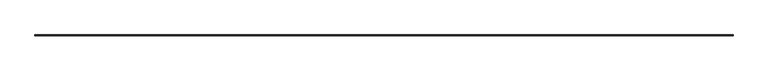
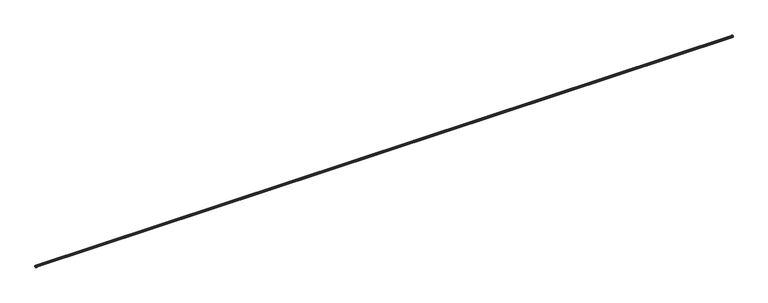
"""IFC4 building model written with IfcOpenShell, lengths in millimetres: railing geometry."""

from ifc_helpers import new_model, si_unit, frame, origin, place, context, project, spatial, polyline, circle_curve, ellipse_curve, source, transform, mapped, element, save
from ifc_brep_helpers import plane_surface, cylinder_surface, revolved_surface, advanced_brep


def railing_9a00f10a(model_context):
    return source(origin(), model_context, "Body", "AdvancedBrep", [
        advanced_brep(
        [(25095.3830497, 64223.0932801, 673.2549877), (25095.3695074, 64223.0797378, 698.3387272), (6765.5632364, 64223.0797378, 698.3387272), (6765.5496942, 64223.0932801, 673.2549877), (25096.0858991, 64223.7961295, 698.6805195), (25096.09981, 64223.8100404, 672.9139691), (6764.8329338, 64223.8100404, 672.9139691), (6764.8468447, 64223.7961295, 698.6805195), (25095.3695074, 64201.3828523, 698.3387272), (25095.3830497, 64201.3828523, 673.2549877), (25096.09981, 64201.3828523, 672.9139691), (25096.0858991, 64201.3828523, 698.6805195), (6765.5632364, 64201.3828523, 698.3387272), (6764.8468447, 64201.3828523, 698.6805195), (6764.8329338, 64201.3828523, 672.9139691), (6765.5496942, 64201.3828523, 673.2549877)],
        [
            (0, 1, ellipse_curve(frame((25069.0521413, 64196.7623717, 685.7826456), z_axis=(0.7071067811865461, -0.7071067811865488, 0.0), x_axis=(-0.7071067811865489, -0.707106781186546, 0.0)), 41.2373361, 29.1592)),
            (1, 2),
            (2, 3, ellipse_curve(frame((6791.8806025, 64196.7623717, 685.7826456), z_axis=(-0.7071067811865488, -0.7071067811865461, 0.0), x_axis=(-0.7071067811865462, 0.7071067811865487, 0.0)), 41.2373361, 29.1592)),
            (3, 0),
            (4, 5, ellipse_curve(frame((25069.0521413, 64196.7623717, 685.7826456), z_axis=(-0.7071067811865461, 0.7071067811865488, 0.0), x_axis=(0.7071067811865489, 0.707106781186546, 0.0)), 42.3598681, 29.95295)),
            (5, 6),
            (6, 7, ellipse_curve(frame((6791.8806025, 64196.7623717, 685.7826456), z_axis=(0.7071067811865488, 0.7071067811865461, 0.0), x_axis=(0.7071067811865462, -0.7071067811865487, 0.0)), 42.3598681, 29.95295)),
            (7, 4),
            (1, 4),
            (7, 2),
            (5, 0),
            (3, 6),
            (8, 9, circle_curve(frame((25069.0521413, 64201.3828523, 685.7826456), z_axis=(0.0, 1.0, 0.0), x_axis=(0.9030051689295431, 0.0, -0.4296296834327528)), 29.1592)),
            (9, 10),
            (10, 11, circle_curve(frame((25069.0521413, 64201.3828523, 685.7826456), z_axis=(0.0, -1.0, 0.0), x_axis=(0.9030051689295431, 0.0, -0.4296296834327528)), 29.95295)),
            (11, 8),
            (12, 13),
            (13, 14, circle_curve(frame((6791.8806025, 64201.3828523, 685.7826456), z_axis=(0.0, -1.0, 0.0), x_axis=(-0.9030051689295431, 0.0, -0.4296296834327528)), 29.95295)),
            (14, 15),
            (15, 12, circle_curve(frame((6791.8806025, 64201.3828523, 685.7826456), z_axis=(0.0, 1.0, 0.0), x_axis=(-0.9030051689295431, 0.0, -0.4296296834327528)), 29.1592)),
            (9, 0),
            (5, 10),
            (11, 4),
            (1, 8),
            (3, 15),
            (14, 6),
            (7, 13),
            (12, 2),
        ],
        [
            revolved_surface(polyline([(6762.721402505624, 64223.09328002185, 673.2549877348476), (25098.211341294376, 64223.09328002185, 673.2549877348476)]), (25074.4663719, 64196.7623717, 685.7826456), (-1.0, 0.0, 0.0)),
            cylinder_surface(frame((25074.4663719, 64196.7623717, 685.7826456), z_axis=(1.0, 0.0, 0.0), x_axis=(0.0, 0.9030051689295431, -0.4296296834327528)), 29.95295),
            plane_surface(frame((25096.0858991, 64223.7961295, 698.6805195), z_axis=(0.0, -0.4306044638727956, 0.9025407446164535), x_axis=(-1.0, 0.0, 0.0))),
            plane_surface(frame((25095.3830497, 64223.0932801, 673.2549877), z_axis=(0.0, -0.42962968343275565, -0.9030051689295417), x_axis=(-1.0, 0.0, 0.0))),
            plane_surface(frame((25074.4663719, 64201.3828523, 711.2), z_axis=(0.0, -1.0, 0.0), x_axis=(0.0, 0.0, 1.0))),
            plane_surface(frame((6786.4663719, 64201.3828523, 711.2), z_axis=(0.0, -1.0, 0.0), x_axis=(0.0, 0.0, -1.0))),
            plane_surface(frame((25095.3830497, 64201.3828523, 673.2549877), z_axis=(-0.42962968343275565, 0.0, -0.9030051689295417), x_axis=(0.0, 1.0, 0.0))),
            plane_surface(frame((25096.0858991, 64201.3828523, 698.6805195), z_axis=(-0.4306044638727956, 0.0, 0.9025407446164535), x_axis=(0.0, 1.0, 0.0))),
            cylinder_surface(frame((25069.0521413, 64201.3828523, 685.7826456), z_axis=(0.0, -1.0, 0.0), x_axis=(0.9030051689295431, 0.0, -0.4296296834327528)), 29.95295),
            revolved_surface(polyline([(25095.38304962185, 64225.92157169438, 673.2549877348476), (25095.38304962185, 64167.603171705625, 673.2549877348476)]), (25069.0521413, 64201.3828523, 685.7826456), (0.0, 1.0, 0.0)),
            plane_surface(frame((6765.5496942, 64223.0932801, 673.2549877), z_axis=(0.42962968343275565, 0.0, -0.9030051689295417), x_axis=(0.0, -1.0, 0.0))),
            plane_surface(frame((6764.8468447, 64223.7961295, 698.6805195), z_axis=(0.4306044638727956, 0.0, 0.9025407446164535), x_axis=(0.0, -1.0, 0.0))),
            cylinder_surface(frame((6791.8806025, 64202.1766023, 685.7826456), z_axis=(0.0, 1.0, 0.0), x_axis=(-0.9030051689295431, 0.0, -0.4296296834327528)), 29.95295),
            revolved_surface(polyline([(6765.54969417815, 64167.603171705625, 673.2549877348476), (6765.54969417815, 64225.92157169438, 673.2549877348476)]), (6791.8806025, 64202.1766023, 685.7826456), (0.0, -1.0, 0.0)),
        ],
        [
            (0, [[1, 2, 3, 4]]),
            (1, [[5, 6, 7, 8]]),
            (2, [[9, -8, 10, -2]]),
            (3, [[11, -4, 12, -6]]),
            (4, [[13, 14, 15, 16]]),
            (5, [[17, 18, 19, 20]]),
            (6, [[-14, 21, -11, 22]]),
            (7, [[-16, 23, -9, 24]]),
            (8, [[-15, -22, -5, -23]]),
            (9, [[-13, -24, -1, -21]]),
            (10, [[-12, 25, -19, 26]]),
            (11, [[-10, 27, -17, 28]]),
            (12, [[-7, -26, -18, -27]]),
            (13, [[-3, -28, -20, -25]]),
        ],
    ),
        advanced_brep(
        [(25074.4663719, 64201.3828523, 711.2), (25074.4663719, 64201.3828523, 708.025), (25075.4823719, 64201.3828523, 707.644), (25075.4823719, 64201.3828523, 703.9112558), (25075.4823719, 64201.3828523, 693.0633442), (25075.4823719, 64201.3828523, 688.37175), (25076.2761219, 64201.3828523, 687.578), (25083.1023719, 64201.3828523, 687.578), (25083.1023719, 64201.3828523, 684.022), (25076.2761219, 64201.3828523, 684.022), (25075.4823719, 64201.3828523, 683.22825), (25075.4823719, 64201.3828523, 678.5366558), (25075.4823719, 64201.3828523, 667.6887442), (25075.4823719, 64201.3828523, 663.956), (25074.4663719, 64201.3828523, 663.575), (25074.4663719, 64201.3828523, 660.4), (25091.7310592, 64201.3828523, 660.4), (25093.2918345, 64201.3828523, 662.3532162), (25095.8327284, 64201.3828523, 666.75), (25095.2974898, 64201.3828523, 673.092468), (25095.2959837, 64201.3828523, 698.5074187), (25095.8327284, 64201.3828523, 704.85), (25093.2918345, 64201.3828523, 709.2467838), (25091.7310592, 64201.3828523, 711.2), (6786.4663719, 64201.3828523, 711.2), (6769.2016847, 64201.3828523, 711.2), (6767.6409094, 64201.3828523, 709.2467838), (6765.1000154, 64201.3828523, 704.85), (6765.6367601, 64201.3828523, 698.5074187), (6765.635254, 64201.3828523, 673.092468), (6765.1000154, 64201.3828523, 666.75), (6767.6409094, 64201.3828523, 662.3532162), (6769.2016847, 64201.3828523, 660.4), (6786.4663719, 64201.3828523, 660.4), (6786.4663719, 64201.3828523, 663.575), (6785.4503719, 64201.3828523, 663.956), (6785.4503719, 64201.3828523, 667.6887442), (6785.4503719, 64201.3828523, 678.5366558), (6785.4503719, 64201.3828523, 683.22825), (6784.6566219, 64201.3828523, 684.022), (6777.8303719, 64201.3828523, 684.022), (6777.8303719, 64201.3828523, 687.578), (6784.6566219, 64201.3828523, 687.578), (6785.4503719, 64201.3828523, 688.37175), (6785.4503719, 64201.3828523, 693.0633442), (6785.4503719, 64201.3828523, 703.9112558), (6785.4503719, 64201.3828523, 707.644), (6786.4663719, 64201.3828523, 708.025), (25074.4663719, 64202.1766023, 711.2), (25091.7310592, 64219.4412895, 711.2), (6769.2016847, 64219.4412895, 711.2), (6786.4663719, 64202.1766023, 711.2), (25093.2918345, 64221.0020649, 709.2467838), (6767.6409094, 64221.0020649, 709.2467838), (25095.8327284, 64223.5429588, 704.85), (6765.1000154, 64223.5429588, 704.85), (25095.2959837, 64223.0062141, 698.5074187), (6765.6367601, 64223.0062141, 698.5074187), (25095.2974898, 64223.0077202, 673.092468), (6765.635254, 64223.0077202, 673.092468), (25095.8327284, 64223.5429588, 666.75), (6765.1000154, 64223.5429588, 666.75), (25093.2918345, 64221.0020649, 662.3532162), (6767.6409094, 64221.0020649, 662.3532162), (25091.7310592, 64219.4412895, 660.4), (6769.2016847, 64219.4412895, 660.4), (25074.4663719, 64202.1766023, 660.4), (6786.4663719, 64202.1766023, 660.4), (25074.4663719, 64202.1766023, 663.575), (6786.4663719, 64202.1766023, 663.575), (25075.4823719, 64203.1926023, 703.9112558), (25075.4823719, 64203.1926023, 707.644), (6785.4503719, 64203.1926023, 707.644), (6785.4503719, 64203.1926023, 703.9112558), (25075.4823719, 64203.1926023, 693.0633442), (6785.4503719, 64203.1926023, 693.0633442), (25075.4823719, 64203.1926023, 688.37175), (6785.4503719, 64203.1926023, 688.37175), (25076.2761219, 64203.9863523, 687.578), (6784.6566219, 64203.9863523, 687.578), (25083.1023719, 64210.8126023, 687.578), (6777.8303719, 64210.8126023, 687.578), (25083.1023719, 64210.8126023, 684.022), (6777.8303719, 64210.8126023, 684.022), (25076.2761219, 64203.9863523, 684.022), (6784.6566219, 64203.9863523, 684.022), (25075.4823719, 64203.1926023, 683.22825), (6785.4503719, 64203.1926023, 683.22825), (25075.4823719, 64203.1926023, 678.5366558), (6785.4503719, 64203.1926023, 678.5366558), (25075.4823719, 64203.1926023, 667.6887442), (6785.4503719, 64203.1926023, 667.6887442), (25075.4823719, 64203.1926023, 663.956), (6785.4503719, 64203.1926023, 663.956), (25074.4663719, 64202.1766023, 708.025), (6786.4663719, 64202.1766023, 708.025)],
        [
            (0, 1),
            (1, 2),
            (2, 3),
            (3, 4, circle_curve(frame((25072.1803719, 64201.3828523, 698.4873), z_axis=(0.0, 1.0, 0.0), x_axis=(0.5200000000001032, 0.0, -0.8541662601624421)), 6.35)),
            (4, 5),
            (5, 6),
            (6, 7),
            (7, 8),
            (8, 9),
            (9, 10),
            (10, 11),
            (11, 12, circle_curve(frame((25072.1803719, 64201.3828523, 673.1127), z_axis=(0.0, 1.0, 0.0), x_axis=(0.5200000000000905, 0.0, -0.8541662601624499)), 6.35)),
            (12, 13),
            (13, 14),
            (14, 15),
            (15, 16),
            (16, 17, circle_curve(frame((25091.7310592, 64201.3828523, 662.0002), z_axis=(0.0, -1.0, 0.0), x_axis=(0.9753626523068737, 0.0, 0.22060756216617042)), 1.6002)),
            (17, 18, circle_curve(frame((25096.9389679, 64201.3828523, 663.178125), z_axis=(0.0, 1.0, 0.0), x_axis=(-0.2958445770100287, 0.0, 0.9552360892751892)), 3.7392588)),
            (18, 19, circle_curve(frame((25095.0549895, 64201.3828523, 669.8781852), z_axis=(0.0, -1.0, 0.0), x_axis=(0.0752308141090258, 0.0, 0.9971661469426714)), 3.2234175)),
            (19, 20, circle_curve(frame((25069.0521371, 64201.3828523, 685.7983881), z_axis=(0.0, -1.0, 0.0), x_axis=(0.9000194320382363, 0.0, 0.43584976993635155)), 29.1592)),
            (20, 21, circle_curve(frame((25095.0549895, 64201.3828523, 701.7218148), z_axis=(0.0, -1.0, 0.0), x_axis=(0.2412777471558695, 0.0, 0.970456103452077)), 3.2234175)),
            (21, 22, circle_curve(frame((25096.9389679, 64201.3828523, 708.421875), z_axis=(0.0, 1.0, 0.0), x_axis=(-0.9753626523073806, 0.0, 0.2206075621639293)), 3.7392588)),
            (22, 23, circle_curve(frame((25091.7310592, 64201.3828523, 709.5998), z_axis=(0.0, -1.0, 0.0), x_axis=(0.0, 0.0, 1.0)), 1.6002)),
            (23, 0),
            (24, 25),
            (25, 26, circle_curve(frame((6769.2016847, 64201.3828523, 709.5998), z_axis=(0.0, -1.0, 0.0), x_axis=(0.0, 0.0, 1.0)), 1.6002)),
            (26, 27, circle_curve(frame((6763.9937759, 64201.3828523, 708.421875), z_axis=(0.0, 1.0, 0.0), x_axis=(0.9753626523073806, 0.0, 0.2206075621639293)), 3.7392588)),
            (27, 28, circle_curve(frame((6765.8777543, 64201.3828523, 701.7218148), z_axis=(0.0, -1.0, 0.0), x_axis=(-0.2412777471558695, 0.0, 0.970456103452077)), 3.2234175)),
            (28, 29, circle_curve(frame((6791.8806067, 64201.3828523, 685.7983881), z_axis=(0.0, -1.0, 0.0), x_axis=(-0.9000194320382363, 0.0, 0.43584976993635155)), 29.1592)),
            (29, 30, circle_curve(frame((6765.8777543, 64201.3828523, 669.8781852), z_axis=(0.0, -1.0, 0.0), x_axis=(-0.0752308141090258, 0.0, 0.9971661469426714)), 3.2234175)),
            (30, 31, circle_curve(frame((6763.9937759, 64201.3828523, 663.178125), z_axis=(0.0, 1.0, 0.0), x_axis=(0.2958445770100287, 0.0, 0.9552360892751892)), 3.7392588)),
            (31, 32, circle_curve(frame((6769.2016847, 64201.3828523, 662.0002), z_axis=(0.0, -1.0, 0.0), x_axis=(-0.9753626523068737, 0.0, 0.22060756216617042)), 1.6002)),
            (32, 33),
            (33, 34),
            (34, 35),
            (35, 36),
            (36, 37, circle_curve(frame((6788.7523719, 64201.3828523, 673.1127), z_axis=(0.0, 1.0, 0.0), x_axis=(-0.5200000000000905, 0.0, -0.8541662601624499)), 6.35)),
            (37, 38),
            (38, 39),
            (39, 40),
            (40, 41),
            (41, 42),
            (42, 43),
            (43, 44),
            (44, 45, circle_curve(frame((6788.7523719, 64201.3828523, 698.4873), z_axis=(0.0, 1.0, 0.0), x_axis=(-0.5200000000001032, 0.0, -0.8541662601624421)), 6.35)),
            (45, 46),
            (46, 47),
            (47, 24),
            (48, 49),
            (49, 50),
            (50, 51),
            (51, 48),
            (49, 52, ellipse_curve(frame((25091.7310592, 64219.4412895, 709.5998), z_axis=(-0.7071067811865461, 0.7071067811865488, 0.0), x_axis=(0.7071067811865489, 0.707106781186546, 0.0)), 2.2630245, 1.6002)),
            (52, 53),
            (53, 50, ellipse_curve(frame((6769.2016847, 64219.4412895, 709.5998), z_axis=(0.7071067811865488, 0.7071067811865461, 0.0), x_axis=(0.7071067811865462, -0.7071067811865487, 0.0)), 2.2630245, 1.6002)),
            (52, 54, ellipse_curve(frame((25096.9389679, 64224.6491983, 708.421875), z_axis=(0.7071067811865461, -0.7071067811865488, 0.0), x_axis=(-0.7071067811865489, -0.707106781186546, 0.0)), 5.2881106, 3.7392588)),
            (54, 55),
            (55, 53, ellipse_curve(frame((6763.9937759, 64224.6491983, 708.421875), z_axis=(-0.7071067811865488, -0.7071067811865461, 0.0), x_axis=(-0.7071067811865462, 0.7071067811865487, 0.0)), 5.2881106, 3.7392588)),
            (54, 56, ellipse_curve(frame((25095.0549895, 64222.7652199, 701.7218148), z_axis=(-0.7071067811865461, 0.7071067811865488, 0.0), x_axis=(0.7071067811865489, 0.707106781186546, 0.0)), 4.5586008, 3.2234175)),
            (56, 57),
            (57, 55, ellipse_curve(frame((6765.8777543, 64222.7652199, 701.7218148), z_axis=(0.7071067811865488, 0.7071067811865461, 0.0), x_axis=(0.7071067811865462, -0.7071067811865487, 0.0)), 4.5586008, 3.2234175)),
            (56, 58, ellipse_curve(frame((25069.0521371, 64196.7623675, 685.7983881), z_axis=(-0.7071067811865461, 0.7071067811865488, 0.0), x_axis=(0.7071067811865489, 0.707106781186546, 0.0)), 41.2373361, 29.1592)),
            (58, 59),
            (59, 57, ellipse_curve(frame((6791.8806067, 64196.7623675, 685.7983881), z_axis=(0.7071067811865488, 0.7071067811865461, 0.0), x_axis=(0.7071067811865462, -0.7071067811865487, 0.0)), 41.2373361, 29.1592)),
            (58, 60, ellipse_curve(frame((25095.0549895, 64222.7652199, 669.8781852), z_axis=(-0.7071067811865461, 0.7071067811865488, 0.0), x_axis=(0.7071067811865489, 0.707106781186546, 0.0)), 4.5586008, 3.2234175)),
            (60, 61),
            (61, 59, ellipse_curve(frame((6765.8777543, 64222.7652199, 669.8781852), z_axis=(0.7071067811865488, 0.7071067811865461, 0.0), x_axis=(0.7071067811865462, -0.7071067811865487, 0.0)), 4.5586008, 3.2234175)),
            (60, 62, ellipse_curve(frame((25096.9389679, 64224.6491983, 663.178125), z_axis=(0.7071067811865461, -0.7071067811865488, 0.0), x_axis=(-0.7071067811865489, -0.707106781186546, 0.0)), 5.2881106, 3.7392588)),
            (62, 63),
            (63, 61, ellipse_curve(frame((6763.9937759, 64224.6491983, 663.178125), z_axis=(-0.7071067811865488, -0.7071067811865461, 0.0), x_axis=(-0.7071067811865462, 0.7071067811865487, 0.0)), 5.2881106, 3.7392588)),
            (62, 64, ellipse_curve(frame((25091.7310592, 64219.4412895, 662.0002), z_axis=(-0.7071067811865461, 0.7071067811865488, 0.0), x_axis=(0.7071067811865489, 0.707106781186546, 0.0)), 2.2630245, 1.6002)),
            (64, 65),
            (65, 63, ellipse_curve(frame((6769.2016847, 64219.4412895, 662.0002), z_axis=(0.7071067811865488, 0.7071067811865461, 0.0), x_axis=(0.7071067811865462, -0.7071067811865487, 0.0)), 2.2630245, 1.6002)),
            (64, 66),
            (66, 67),
            (67, 65),
            (66, 68),
            (68, 69),
            (69, 67),
            (70, 71),
            (71, 72),
            (72, 73),
            (73, 70),
            (74, 70, ellipse_curve(frame((25072.1803719, 64199.8906023, 698.4873), z_axis=(0.7071067811865461, -0.7071067811865488, 0.0), x_axis=(-0.7071067811865489, -0.707106781186546, 0.0)), 8.9802561, 6.35)),
            (73, 75, ellipse_curve(frame((6788.7523719, 64199.8906023, 698.4873), z_axis=(-0.7071067811865488, -0.7071067811865461, 0.0), x_axis=(-0.7071067811865462, 0.7071067811865487, 0.0)), 8.9802561, 6.35)),
            (75, 74),
            (76, 74),
            (75, 77),
            (77, 76),
            (78, 76),
            (77, 79),
            (79, 78),
            (80, 78),
            (79, 81),
            (81, 80),
            (82, 80),
            (81, 83),
            (83, 82),
            (84, 82),
            (83, 85),
            (85, 84),
            (86, 84),
            (85, 87),
            (87, 86),
            (88, 86),
            (87, 89),
            (89, 88),
            (90, 88, ellipse_curve(frame((25072.1803719, 64199.8906023, 673.1127), z_axis=(0.7071067811865461, -0.7071067811865488, 0.0), x_axis=(-0.7071067811865489, -0.707106781186546, 0.0)), 8.9802561, 6.35)),
            (89, 91, ellipse_curve(frame((6788.7523719, 64199.8906023, 673.1127), z_axis=(-0.7071067811865488, -0.7071067811865461, 0.0), x_axis=(-0.7071067811865462, 0.7071067811865487, 0.0)), 8.9802561, 6.35)),
            (91, 90),
            (92, 90),
            (91, 93),
            (93, 92),
            (68, 92),
            (93, 69),
            (71, 94),
            (94, 95),
            (95, 72),
            (94, 48),
            (51, 95),
            (0, 48),
            (94, 1),
            (23, 49),
            (51, 24),
            (47, 95),
            (50, 25),
            (8, 82),
            (84, 9),
            (7, 80),
            (6, 78),
            (5, 76),
            (4, 74),
            (3, 70),
            (2, 71),
            (14, 68),
            (66, 15),
            (64, 16),
            (62, 17),
            (60, 18),
            (58, 19),
            (56, 20),
            (54, 21),
            (52, 22),
            (83, 40),
            (39, 85),
            (81, 41),
            (79, 42),
            (77, 43),
            (75, 44),
            (73, 45),
            (72, 46),
            (69, 34),
            (33, 67),
            (32, 65),
            (31, 63),
            (30, 61),
            (29, 59),
            (28, 57),
            (27, 55),
            (26, 53),
            (12, 90),
            (92, 13),
            (11, 88),
            (10, 86),
            (91, 36),
            (35, 93),
            (89, 37),
            (87, 38),
        ],
        [
            plane_surface(frame((25074.4663719, 64201.3828523, 711.2), z_axis=(0.0, -1.0, 0.0), x_axis=(0.0, 0.0, 1.0))),
            plane_surface(frame((6786.4663719, 64201.3828523, 711.2), z_axis=(0.0, -1.0, 0.0), x_axis=(0.0, 0.0, -1.0))),
            plane_surface(frame((25091.7310592, 64219.4412895, 711.2), z_axis=(0.0, 0.0, 1.0), x_axis=(-1.0, 0.0, 0.0))),
            cylinder_surface(frame((25074.4663719, 64219.4412895, 709.5998), z_axis=(1.0, 0.0, 0.0), x_axis=(0.0, 0.0, 1.0)), 1.6002),
            revolved_surface(polyline([(6760.254517035068, 64221.00206491917, 709.246783768168), (25100.678226764925, 64221.00206491917, 709.246783768168)]), (25074.4663719, 64224.6491983, 708.421875), (-1.0000000000000002, 0.0, 0.0)),
            cylinder_surface(frame((25074.4663719, 64222.7652199, 701.7218148), z_axis=(1.0, 0.0, 0.0), x_axis=(0.0, 0.2412777471558695, 0.970456103452077)), 3.2234175),
            cylinder_surface(frame((25074.4663719, 64196.7623675, 685.7983881), z_axis=(1.0, 0.0, 0.0), x_axis=(0.0, 0.9000194320382363, 0.43584976993635155)), 29.1592),
            cylinder_surface(frame((25074.4663719, 64222.7652199, 669.8781852), z_axis=(1.0, 0.0, 0.0), x_axis=(0.0, 0.0752308141090258, 0.9971661469426714)), 3.2234175),
            revolved_surface(polyline([(6760.254517035075, 64223.54295886198, 666.7499999528999), (25100.678226764925, 64223.54295886198, 666.7499999528999)]), (25074.4663719, 64224.6491983, 663.178125), (-1.0, 0.0, 0.0)),
            cylinder_surface(frame((25074.4663719, 64219.4412895, 662.0002), z_axis=(1.0, 0.0, 0.0), x_axis=(0.0, 0.9753626523068737, 0.22060756216617042)), 1.6002),
            plane_surface(frame((25074.4663719, 64202.1766023, 660.4), z_axis=(0.0, 0.0, -1.0), x_axis=(-1.0, 0.0, 0.0))),
            plane_surface(frame((25074.4663719, 64202.1766023, 663.575), z_axis=(0.0, -1.0, 0.0), x_axis=(-1.0, 0.0, 0.0))),
            plane_surface(frame((25075.4823719, 64203.1926023, 707.644), z_axis=(0.0, -1.0, 0.0), x_axis=(-1.0, 0.0, 0.0))),
            revolved_surface(polyline([(6782.402371914897, 64203.192602300005, 693.0633442479685), (25078.530371885103, 64203.192602300005, 693.0633442479685)]), (25074.4663719, 64199.8906023, 698.4873), (-1.0, 0.0, 0.0)),
            plane_surface(frame((25075.4823719, 64203.1926023, 693.0633442), z_axis=(0.0, -1.0, 0.0), x_axis=(-1.0, 0.0, 0.0))),
            plane_surface(frame((25075.4823719, 64203.1926023, 688.37175), z_axis=(0.0, -0.7071067811865476, -0.7071067811865476), x_axis=(-1.0, 0.0, 0.0))),
            plane_surface(frame((25076.2761219, 64203.9863523, 687.578), z_axis=(0.0, 0.0, -1.0), x_axis=(-1.0, 0.0, 0.0))),
            plane_surface(frame((25083.1023719, 64210.8126023, 687.578), z_axis=(0.0, -1.0, 0.0), x_axis=(-1.0, 0.0, 0.0))),
            plane_surface(frame((25083.1023719, 64210.8126023, 684.022), z_axis=(0.0, 0.0, 1.0), x_axis=(-1.0, 0.0, 0.0))),
            plane_surface(frame((25076.2761219, 64203.9863523, 684.022), z_axis=(0.0, -0.7071067811868514, 0.7071067811862438), x_axis=(-1.0, 0.0, 0.0))),
            plane_surface(frame((25075.4823719, 64203.1926023, 683.22825), z_axis=(0.0, -1.0, 0.0), x_axis=(-1.0, 0.0, 0.0))),
            revolved_surface(polyline([(6782.402371914897, 64203.192602300005, 667.6887442479684), (25078.530371885103, 64203.192602300005, 667.6887442479684)]), (25074.4663719, 64199.8906023, 673.1127), (-1.0, 0.0, 0.0)),
            plane_surface(frame((25075.4823719, 64203.1926023, 667.6887442), z_axis=(0.0, -1.0, 0.0), x_axis=(-1.0, 0.0, 0.0))),
            plane_surface(frame((25075.4823719, 64203.1926023, 663.956), z_axis=(0.0, -0.3511234415879406, 0.9363291775692137), x_axis=(-1.0, 0.0, 0.0))),
            plane_surface(frame((25074.4663719, 64202.1766023, 708.025), z_axis=(0.0, -0.35112344158848996, -0.9363291775690077), x_axis=(-1.0, 0.0, 0.0))),
            plane_surface(frame((25074.4663719, 64202.1766023, 711.2), z_axis=(0.0, -1.0, 0.0), x_axis=(-1.0, 0.0, 0.0))),
            plane_surface(frame((25074.4663719, 64201.3828523, 711.2), z_axis=(-1.0, 0.0, 0.0), x_axis=(0.0, 1.0, 0.0))),
            plane_surface(frame((25091.7310592, 64201.3828523, 711.2), z_axis=(0.0, 0.0, 1.0), x_axis=(0.0, 1.0, 0.0))),
            plane_surface(frame((6786.4663719, 64202.1766023, 711.2), z_axis=(1.0, 2.7284841052989324e-12, 0.0), x_axis=(2.7284841052989324e-12, -1.0, 0.0))),
            plane_surface(frame((6769.2016847, 64219.4412895, 711.2), z_axis=(0.0, 0.0, 1.0), x_axis=(0.0, -1.0, 0.0))),
            plane_surface(frame((25083.1023719, 64201.3828523, 684.022), z_axis=(0.0, 0.0, 1.0), x_axis=(0.0, 1.0, 0.0))),
            plane_surface(frame((25083.1023719, 64201.3828523, 687.578), z_axis=(-1.0, 0.0, 0.0), x_axis=(0.0, 1.0, 0.0))),
            plane_surface(frame((25076.2761219, 64201.3828523, 687.578), z_axis=(0.0, 0.0, -1.0), x_axis=(0.0, 1.0, 0.0))),
            plane_surface(frame((25075.4823719, 64201.3828523, 688.37175), z_axis=(-0.7071067811865476, 0.0, -0.7071067811865476), x_axis=(0.0, 1.0, 0.0))),
            plane_surface(frame((25075.4823719, 64201.3828523, 693.0633442), z_axis=(-1.0, 0.0, 0.0), x_axis=(0.0, 1.0, 0.0))),
            revolved_surface(polyline([(25075.4823719, 64206.24060228511, 693.0633442479685), (25075.4823719, 64193.5406023149, 693.0633442479685)]), (25072.1803719, 64201.3828523, 698.4873), (0.0, 1.0, 0.0)),
            plane_surface(frame((25075.4823719, 64201.3828523, 707.644), z_axis=(-1.0, 0.0, 0.0), x_axis=(0.0, 1.0, 0.0))),
            plane_surface(frame((25074.4663719, 64201.3828523, 663.575), z_axis=(-1.0, 0.0, 0.0), x_axis=(0.0, 1.0, 0.0))),
            plane_surface(frame((25074.4663719, 64201.3828523, 660.4), z_axis=(0.0, 0.0, -1.0), x_axis=(0.0, 1.0, 0.0))),
            cylinder_surface(frame((25091.7310592, 64201.3828523, 662.0002), z_axis=(0.0, -1.0, 0.0), x_axis=(0.9753626523068737, 0.0, 0.22060756216617042)), 1.6002),
            revolved_surface(polyline([(25095.832728461985, 64228.388457164925, 666.7499999528999), (25095.832728461985, 64201.3828523, 666.7499999528999)]), (25096.9389679, 64201.3828523, 663.178125), (0.0, 1.0, 0.0)),
            cylinder_surface(frame((25095.0549895, 64201.3828523, 669.8781852), z_axis=(0.0, -1.0, 0.0), x_axis=(0.0752308141090258, 0.0, 0.9971661469426714)), 3.2234175),
            cylinder_surface(frame((25069.0521371, 64201.3828523, 685.7983881), z_axis=(0.0, -1.0, 0.0), x_axis=(0.9000194320382363, 0.0, 0.43584976993635155)), 29.1592),
            cylinder_surface(frame((25095.0549895, 64201.3828523, 701.7218148), z_axis=(0.0, -1.0, 0.0), x_axis=(0.2412777471558695, 0.0, 0.970456103452077)), 3.2234175),
            revolved_surface(polyline([(25093.29183451917, 64228.388457164925, 709.246783768168), (25093.29183451917, 64201.3828523, 709.246783768168)]), (25096.9389679, 64201.3828523, 708.421875), (0.0, 1.0000000000000002, 0.0)),
            cylinder_surface(frame((25091.7310592, 64201.3828523, 709.5998), z_axis=(0.0, -1.0, 0.0), x_axis=(0.0, 0.0, 1.0)), 1.6002),
            plane_surface(frame((6777.8303719, 64210.8126023, 684.022), z_axis=(0.0, 0.0, 1.0), x_axis=(0.0, -1.0, 0.0))),
            plane_surface(frame((6777.8303719, 64210.8126023, 687.578), z_axis=(1.0, 0.0, 0.0), x_axis=(0.0, -1.0, 0.0))),
            plane_surface(frame((6784.6566219, 64203.9863523, 687.578), z_axis=(0.0, 0.0, -1.0), x_axis=(0.0, -1.0, 0.0))),
            plane_surface(frame((6785.4503719, 64203.1926023, 688.37175), z_axis=(0.7071067811865476, 0.0, -0.7071067811865476), x_axis=(0.0, -1.0, 0.0))),
            plane_surface(frame((6785.4503719, 64203.1926023, 693.0633442), z_axis=(1.0, 1.1967035549611714e-12, 0.0), x_axis=(1.1967035549611714e-12, -1.0, 0.0))),
            revolved_surface(polyline([(6785.4503718999995, 64193.5406023149, 693.0633442479685), (6785.4503718999995, 64206.24060228511, 693.0633442479685)]), (6788.7523719, 64202.1766023, 698.4873), (0.0, -1.0, 0.0)),
            plane_surface(frame((6785.4503719, 64203.1926023, 707.644), z_axis=(1.0, 1.1967035549611714e-12, 0.0), x_axis=(1.1967035549611714e-12, -1.0, 0.0))),
            plane_surface(frame((6786.4663719, 64202.1766023, 663.575), z_axis=(1.0, 2.7284841052989324e-12, 0.0), x_axis=(2.7284841052989324e-12, -1.0, 0.0))),
            plane_surface(frame((6786.4663719, 64202.1766023, 660.4), z_axis=(0.0, 0.0, -1.0), x_axis=(-1.3642420526792447e-12, -1.0, 0.0))),
            cylinder_surface(frame((6769.2016847, 64202.1766023, 662.0002), z_axis=(0.0, 1.0, 0.0), x_axis=(-0.9753626523068737, 0.0, 0.22060756216617042)), 1.6002),
            revolved_surface(polyline([(6765.100015338017, 64201.3828523, 666.7499999528999), (6765.100015338017, 64228.388457164925, 666.7499999528999)]), (6763.9937759, 64202.1766023, 663.178125), (0.0, -1.0, 0.0)),
            cylinder_surface(frame((6765.8777543, 64202.1766023, 669.8781852), z_axis=(0.0, 1.0, 0.0), x_axis=(-0.0752308141090258, 0.0, 0.9971661469426714)), 3.2234175),
            cylinder_surface(frame((6791.8806067, 64202.1766023, 685.7983881), z_axis=(0.0, 1.0, 0.0), x_axis=(-0.9000194320382363, 0.0, 0.43584976993635155)), 29.1592),
            cylinder_surface(frame((6765.8777543, 64202.1766023, 701.7218148), z_axis=(0.0, 1.0, 0.0), x_axis=(-0.2412777471558695, 0.0, 0.970456103452077)), 3.2234175),
            revolved_surface(polyline([(6767.640909280832, 64201.3828523, 709.246783768168), (6767.640909280832, 64228.388457164925, 709.246783768168)]), (6763.9937759, 64202.1766023, 708.421875), (0.0, -1.0000000000000002, 0.0)),
            cylinder_surface(frame((6769.2016847, 64202.1766023, 709.5998), z_axis=(0.0, 1.0, 0.0), x_axis=(0.0, 0.0, 1.0)), 1.6002),
            plane_surface(frame((25075.4823719, 64201.3828523, 667.6887442), z_axis=(-1.0, 0.0, 0.0), x_axis=(0.0, 1.0, 0.0))),
            revolved_surface(polyline([(25075.4823719, 64206.24060228511, 667.6887442479684), (25075.4823719, 64193.5406023149, 667.6887442479684)]), (25072.1803719, 64201.3828523, 673.1127), (0.0, 1.0, 0.0)),
            plane_surface(frame((25075.4823719, 64201.3828523, 683.22825), z_axis=(-1.0, 0.0, 0.0), x_axis=(0.0, 1.0, 0.0))),
            plane_surface(frame((25076.2761219, 64201.3828523, 684.022), z_axis=(-0.7071067811868514, 0.0, 0.7071067811862438), x_axis=(0.0, 1.0, 0.0))),
            plane_surface(frame((6785.4503719, 64203.1926023, 667.6887442), z_axis=(1.0, 1.1967035549611714e-12, 0.0), x_axis=(1.1967035549611714e-12, -1.0, 0.0))),
            revolved_surface(polyline([(6785.4503718999995, 64193.5406023149, 667.6887442479684), (6785.4503718999995, 64206.24060228511, 667.6887442479684)]), (6788.7523719, 64202.1766023, 673.1127), (0.0, -1.0, 0.0)),
            plane_surface(frame((6785.4503719, 64203.1926023, 683.22825), z_axis=(1.0, 1.1967035549611714e-12, 0.0), x_axis=(1.1967035549611714e-12, -1.0, 0.0))),
            plane_surface(frame((6784.6566219, 64203.9863523, 684.022), z_axis=(0.7071067811868514, 0.0, 0.7071067811862438), x_axis=(0.0, -1.0, 0.0))),
            plane_surface(frame((25074.4663719, 64201.3828523, 708.025), z_axis=(-0.35112344158848996, 0.0, -0.9363291775690077), x_axis=(0.0, 1.0, 0.0))),
            plane_surface(frame((25075.4823719, 64201.3828523, 663.956), z_axis=(-0.3511234415879406, 0.0, 0.9363291775692137), x_axis=(0.0, 1.0, 0.0))),
            plane_surface(frame((6786.4663719, 64202.1766023, 708.025), z_axis=(0.35112344158848996, 0.0, -0.9363291775690077), x_axis=(2.7284841052989324e-12, -1.0, 0.0))),
            plane_surface(frame((6785.4503719, 64203.1926023, 663.956), z_axis=(0.3511234415879406, 0.0, 0.9363291775692137), x_axis=(1.1967035549611714e-12, -1.0, 0.0))),
        ],
        [
            (0, [[1, 2, 3, 4, 5, 6, 7, 8, 9, 10, 11, 12, 13, 14, 15, 16, 17, 18, 19, 20, 21, 22, 23, 24]]),
            (1, [[25, 26, 27, 28, 29, 30, 31, 32, 33, 34, 35, 36, 37, 38, 39, 40, 41, 42, 43, 44, 45, 46, 47, 48]]),
            (2, [[49, 50, 51, 52]]),
            (3, [[53, 54, 55, -50]]),
            (4, [[56, 57, 58, -54]]),
            (5, [[59, 60, 61, -57]]),
            (6, [[62, 63, 64, -60]]),
            (7, [[65, 66, 67, -63]]),
            (8, [[68, 69, 70, -66]]),
            (9, [[71, 72, 73, -69]]),
            (10, [[74, 75, 76, -72]]),
            (11, [[77, 78, 79, -75]]),
            (12, [[80, 81, 82, 83]]),
            (13, [[84, -83, 85, 86]]),
            (14, [[87, -86, 88, 89]]),
            (15, [[90, -89, 91, 92]]),
            (16, [[93, -92, 94, 95]]),
            (17, [[96, -95, 97, 98]]),
            (18, [[99, -98, 100, 101]]),
            (19, [[102, -101, 103, 104]]),
            (20, [[105, -104, 106, 107]]),
            (21, [[108, -107, 109, 110]]),
            (22, [[111, -110, 112, 113]]),
            (23, [[114, -113, 115, -78]]),
            (24, [[116, 117, 118, -81]]),
            (25, [[119, -52, 120, -117]]),
            (26, [[-1, 121, -119, 122]]),
            (27, [[-24, 123, -49, -121]]),
            (28, [[-120, 124, -48, 125]]),
            (29, [[-51, 126, -25, -124]]),
            (30, [[-9, 127, -99, 128]]),
            (31, [[-8, 129, -96, -127]]),
            (32, [[-7, 130, -93, -129]]),
            (33, [[-6, 131, -90, -130]]),
            (34, [[-5, 132, -87, -131]]),
            (35, [[-4, 133, -84, -132]]),
            (36, [[-3, 134, -80, -133]]),
            (37, [[-15, 135, -77, 136]]),
            (38, [[-16, -136, -74, 137]]),
            (39, [[-17, -137, -71, 138]]),
            (40, [[-18, -138, -68, 139]]),
            (41, [[-19, -139, -65, 140]]),
            (42, [[-20, -140, -62, 141]]),
            (43, [[-21, -141, -59, 142]]),
            (44, [[-22, -142, -56, 143]]),
            (45, [[-23, -143, -53, -123]]),
            (46, [[-100, 144, -40, 145]]),
            (47, [[-97, 146, -41, -144]]),
            (48, [[-94, 147, -42, -146]]),
            (49, [[-91, 148, -43, -147]]),
            (50, [[-88, 149, -44, -148]]),
            (51, [[-85, 150, -45, -149]]),
            (52, [[-82, 151, -46, -150]]),
            (53, [[-79, 152, -34, 153]]),
            (54, [[-76, -153, -33, 154]]),
            (55, [[-73, -154, -32, 155]]),
            (56, [[-70, -155, -31, 156]]),
            (57, [[-67, -156, -30, 157]]),
            (58, [[-64, -157, -29, 158]]),
            (59, [[-61, -158, -28, 159]]),
            (60, [[-58, -159, -27, 160]]),
            (61, [[-55, -160, -26, -126]]),
            (62, [[-13, 161, -111, 162]]),
            (63, [[-12, 163, -108, -161]]),
            (64, [[-11, 164, -105, -163]]),
            (65, [[-10, -128, -102, -164]]),
            (66, [[-112, 165, -36, 166]]),
            (67, [[-109, 167, -37, -165]]),
            (68, [[-106, 168, -38, -167]]),
            (69, [[-103, -145, -39, -168]]),
            (70, [[-2, -122, -116, -134]]),
            (71, [[-14, -162, -114, -135]]),
            (72, [[-118, -125, -47, -151]]),
            (73, [[-115, -166, -35, -152]]),
        ],
    ),
    ])


if __name__ == "__main__":
    model = new_model("IFC4")
    model_context = context("Model", 3, world=origin())
    ifc_project = project(units=[si_unit("LENGTHUNIT", "METRE", prefix="MILLI")], contexts=[model_context])
    site = spatial("IfcSite", under=ifc_project)
    building = spatial("IfcBuilding", under=site)
    placement = place(None, origin())
    railing_shape = railing_9a00f10a(model_context)
    element("IfcRailing", 1, at=placement, inside=building, context=model_context, shape_type="MappedRepresentation", body=[
        mapped(railing_shape, transform((0.0, 0.0, 0.0), x_axis=(1.0, 0.0, 0.0), y_axis=(0.0, 1.0, 0.0), z_axis=(0.0, 0.0, 1.0))),
    ])
    save(model, "model.ifc")
